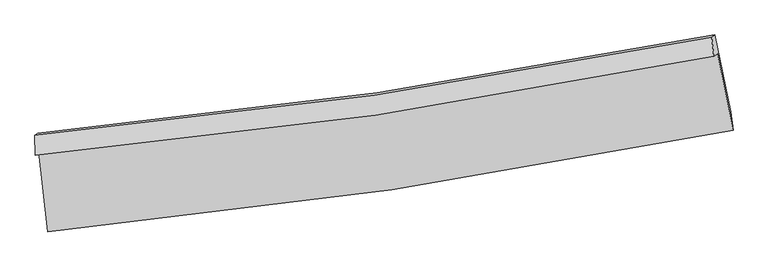
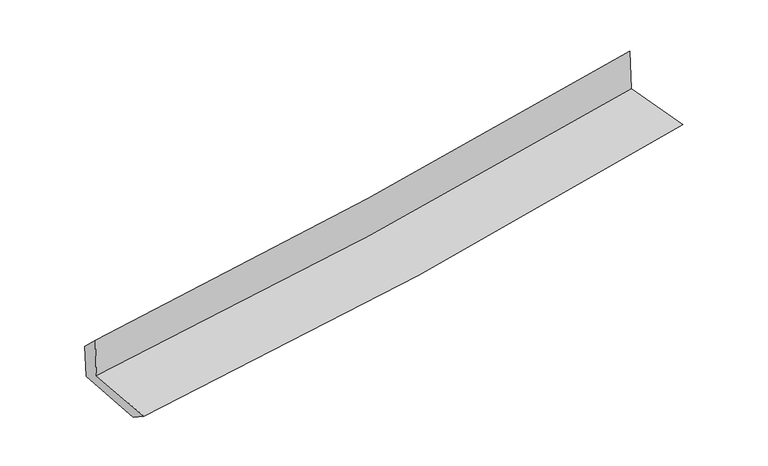
"""IFC4 building model written with IfcOpenShell, lengths in millimetres: proxy geometry."""

import ifcopenshell
import ifcopenshell.guid

model = None  # the IFC model being written
_history = None  # IfcOwnerHistory: only IFC2X3 demands one
_inside = {}  # id of a spatial element -> (the spatial element, [elements in it])
_under = {}  # id of a project, library or spatial element -> (it, [spatial elements below it])
_declared = {}  # id of a project -> (the project, [libraries it declares])
_typed = {}  # id of a type object -> (the type object, [elements of that type])
_made_of = {}  # id of a material, layer set ... -> (it, [elements and type objects made of it])


def new_model(schema):
    """Start an empty IFC model of exactly this schema.

    Asked for "IFC4X3", IfcOpenShell would pick the latest addendum, in which some entities
    have other attributes; the version numbers below select the first issue.
    IFC2X3 requires an IfcOwnerHistory on every rooted entity: one is made here for all.
    """
    global model, _history
    if schema == "IFC4X3":
        model = ifcopenshell.file(schema_version=(4, 3, 0, 0))
    else:
        model = ifcopenshell.file(schema=schema)
    _inside.clear()
    _under.clear()
    _declared.clear()
    _typed.clear()
    _made_of.clear()
    _history = None
    if model.schema == "IFC2X3":
        org = make("IfcOrganization", Name="unknown")
        user = make(
            "IfcPersonAndOrganization",
            ThePerson=make("IfcPerson", FamilyName="unknown"),
            TheOrganization=org,
        )
        app = make(
            "IfcApplication",
            ApplicationDeveloper=org,
            Version="unknown",
            ApplicationFullName="unknown",
            ApplicationIdentifier="unknown",
        )
        _history = make(
            "IfcOwnerHistory",
            OwningUser=user,
            OwningApplication=app,
            ChangeAction="ADDED",
            CreationDate=0,
        )
    return model


def make(cls, **values):
    """One entity of the class cls with the attributes given. An attribute that is None is left unset."""
    return model.create_entity(
        cls, **{name: value for name, value in values.items() if value is not None}
    )


def rooted(cls, **values):
    """An entity with a GlobalId (a new one), such as an element, a storey or a relation."""
    return make(cls, GlobalId=ifcopenshell.guid.new(), OwnerHistory=_history, **values)


def si_unit(unit_type, name, prefix=None):
    """IfcSIUnit, for example si_unit("LENGTHUNIT", "METRE", prefix="MILLI")."""
    return make("IfcSIUnit", UnitType=unit_type, Prefix=prefix, Name=name)


def assignment(units):
    """IfcUnitAssignment: the units of a project."""
    return None if units is None else make("IfcUnitAssignment", Units=units)


def point(xyz):
    """IfcCartesianPoint."""
    return None if xyz is None else make("IfcCartesianPoint", Coordinates=xyz)


def direction(xyz):
    """IfcDirection."""
    return None if xyz is None else make("IfcDirection", DirectionRatios=xyz)


def frame(location, z_axis=None, x_axis=None):
    """IfcAxis2Placement3D, a coordinate frame: its origin and axes. An axis left out is left unset."""
    return make(
        "IfcAxis2Placement3D",
        Location=point(location),
        Axis=direction(z_axis),
        RefDirection=direction(x_axis),
    )


def origin():
    """The frame at (0, 0, 0) with its axes left unset."""
    return frame((0.0, 0.0, 0.0))


def place(relative_to, where):
    """IfcLocalPlacement: puts the frame where relative to a parent placement (None: the world)."""
    return make(
        "IfcLocalPlacement", PlacementRelTo=relative_to, RelativePlacement=where
    )


def context(
    kind, dimensions, precision=None, world=None, true_north=None, identifier=None
):
    """IfcGeometricRepresentationContext, for example the 3D "Model" context."""
    return make(
        "IfcGeometricRepresentationContext",
        ContextIdentifier=identifier,
        ContextType=kind,
        CoordinateSpaceDimension=dimensions,
        Precision=precision,
        WorldCoordinateSystem=world,
        TrueNorth=true_north,
    )


def project(units=None, contexts=None):
    """IfcProject with its units and contexts."""
    return rooted(
        "IfcProject",
        Name="project",
        RepresentationContexts=contexts,
        UnitsInContext=assignment(units),
    )


def spatial(cls, under=None, at=None, **own):
    """A site, building, storey or space (cls), placed at a placement, below another one or the project."""
    s = rooted(cls, ObjectPlacement=at, **own)
    if under is not None:
        _under.setdefault(under.id(), (under, []))[1].append(s)
    return s


def shape(context_of_items, identifier, shape_type, items):
    """IfcShapeRepresentation: the items that make up one representation, for example the "Body"."""
    return make(
        "IfcShapeRepresentation",
        ContextOfItems=context_of_items,
        RepresentationIdentifier=identifier,
        RepresentationType=shape_type,
        Items=items,
    )


def source(mapping_origin, context_of_items, identifier, shape_type, items):
    """IfcRepresentationMap: a shape defined once, which mapped items show again and again."""
    return make(
        "IfcRepresentationMap",
        MappingOrigin=mapping_origin,
        MappedRepresentation=shape(context_of_items, identifier, shape_type, items),
    )


def transform(
    local_origin,
    x_axis=None,
    y_axis=None,
    z_axis=None,
    scale=None,
    scale2=None,
    scale3=None,
    uniform=True,
):
    """IfcCartesianTransformationOperator3D, or its non-uniform kind. x_axis, y_axis, z_axis: its Axis1, 2, 3."""
    if uniform:
        return make(
            "IfcCartesianTransformationOperator3D",
            Axis1=direction(x_axis),
            Axis2=direction(y_axis),
            LocalOrigin=point(local_origin),
            Scale=scale,
            Axis3=direction(z_axis),
        )
    return make(
        "IfcCartesianTransformationOperator3DnonUniform",
        Axis1=direction(x_axis),
        Axis2=direction(y_axis),
        LocalOrigin=point(local_origin),
        Scale=scale,
        Axis3=direction(z_axis),
        Scale2=scale2,
        Scale3=scale3,
    )


def mapped(mapping_source, mapping_target):
    """IfcMappedItem: shows the shape of a source again, moved by a transform."""
    return make(
        "IfcMappedItem", MappingSource=mapping_source, MappingTarget=mapping_target
    )


def made_of(thing, what):
    """Note that an element or type object is made of a material, layer set ...; save() writes the relation."""
    if what is not None:
        _made_of.setdefault(what.id(), (what, []))[1].append(thing)
    return thing


def element(
    cls,
    number,
    at=None,
    inside=None,
    cuts=None,
    type_object=None,
    material=None,
    context=None,
    identifier="Body",
    shape_type=None,
    held_by="IfcProductDefinitionShape",
    body=None,
    shapes=None,
    **own,
):
    """One element of the class cls, such as IfcWall. Its Tag is "e" and its number.

    at: its placement. inside: the storey or other place that contains it. cuts: it is an
    opening in that element (IfcRelVoidsElement). A single representation is given by context,
    identifier, shape_type and body (its items); several are given by shapes. held_by: the class
    of the entity that holds the representations. save() writes the other relations.
    """
    e = rooted(cls, Tag="e%d" % number, ObjectPlacement=at, **own)
    if body is not None:
        shapes = [shape(context, identifier, shape_type, body)]
    if shapes is not None:
        e.Representation = make(held_by, Representations=shapes)
    if inside is not None:
        _inside.setdefault(inside.id(), (inside, []))[1].append(e)
    if cuts is not None:
        rooted(
            "IfcRelVoidsElement", RelatingBuildingElement=cuts, RelatedOpeningElement=e
        )
    if type_object is not None:
        _typed.setdefault(type_object.id(), (type_object, []))[1].append(e)
    return made_of(e, material)


def aggregate(whole, parts):
    """IfcRelAggregates: a whole, such as a stair, and the parts it consists of."""
    return rooted("IfcRelAggregates", RelatingObject=whole, RelatedObjects=parts)


def save(model, path):
    """Write the relations noted so far, then the file.

    IfcRelAggregates (storeys below a building ...), IfcRelContainedInSpatialStructure (elements
    in a storey), IfcRelDefinesByType, IfcRelAssociatesMaterial and IfcRelDeclares: one each for
    every whole, place, type object, material and project.
    """
    for whole, parts in _under.values():
        aggregate(whole, parts)
    for where, things in _inside.values():
        rooted(
            "IfcRelContainedInSpatialStructure",
            RelatedElements=things,
            RelatingStructure=where,
        )
    for kind, things in _typed.values():
        rooted("IfcRelDefinesByType", RelatedObjects=things, RelatingType=kind)
    for what, things in _made_of.values():
        rooted("IfcRelAssociatesMaterial", RelatedObjects=things, RelatingMaterial=what)
    for by, libraries in _declared.values():
        rooted("IfcRelDeclares", RelatingContext=by, RelatedDefinitions=libraries)
    model.write(path)


def plane_surface(at):
    """IfcPlane: the flat surface through the origin of the frame at, square to its z axis."""
    return make("IfcPlane", Position=at)


def spline_curve(degree, points, multiplicities, knots, weights=None):
    """IfcBSplineCurveWithKnots; with weights, IfcRationalBSplineCurveWithKnots."""
    own = dict(
        Degree=degree,
        ControlPointsList=[point(p) for p in points],
        CurveForm="UNSPECIFIED",
        ClosedCurve=False,
        SelfIntersect=False,
        KnotMultiplicities=multiplicities,
        Knots=knots,
        KnotSpec="UNSPECIFIED",
    )
    if weights is None:
        return make("IfcBSplineCurveWithKnots", **own)
    return make("IfcRationalBSplineCurveWithKnots", WeightsData=weights, **own)


def spline_surface(u_degree, v_degree, points, u_multiplicities, v_multiplicities, u_knots, v_knots, weights=None):
    """IfcBSplineSurfaceWithKnots; with weights, IfcRationalBSplineSurfaceWithKnots. points: one row for each step in u."""
    own = dict(
        UDegree=u_degree,
        VDegree=v_degree,
        ControlPointsList=[[point(p) for p in row] for row in points],
        SurfaceForm="UNSPECIFIED",
        UClosed=False,
        VClosed=False,
        SelfIntersect=False,
        UMultiplicities=u_multiplicities,
        VMultiplicities=v_multiplicities,
        UKnots=u_knots,
        VKnots=v_knots,
        KnotSpec="UNSPECIFIED",
    )
    if weights is None:
        return make("IfcBSplineSurfaceWithKnots", **own)
    return make("IfcRationalBSplineSurfaceWithKnots", WeightsData=weights, **own)


def advanced_brep(points, edges, surfaces, faces):
    """IfcAdvancedBrep: a solid bounded by faces that lie on surfaces and meet in shared edges.

    An edge is (start, end): straight between two places in points (the first is 0);
    or (start, end, curve); or (start, end, curve, False) where it runs against its curve.
    A face is (place in surfaces, loops), or (place, loops, False) where it looks against
    its surface's normal. A loop lists edges by number (the first is 1), with a minus sign
    where the edge is run from its end to its start. The first loop is the outer one.
    """
    corners = [point(p) for p in points]
    vertices = [make("IfcVertexPoint", VertexGeometry=c) for c in corners]
    made = []
    for start, end, *more in edges:
        made.append(
            make(
                "IfcEdgeCurve",
                EdgeStart=vertices[start],
                EdgeEnd=vertices[end],
                EdgeGeometry=more[0] if more else make("IfcPolyline", Points=[corners[start], corners[end]]),
                SameSense=more[1] if len(more) > 1 else True,
            )
        )
    hull = []
    for where, loops, *sense in faces:
        bounds = []
        for j, loop in enumerate(loops):
            ring = [make("IfcOrientedEdge", EdgeElement=made[abs(k) - 1], Orientation=k > 0) for k in loop]
            bounds.append(
                make(
                    "IfcFaceOuterBound" if j == 0 else "IfcFaceBound",
                    Bound=make("IfcEdgeLoop", EdgeList=ring),
                    Orientation=True,
                )
            )
        hull.append(make("IfcAdvancedFace", Bounds=bounds, FaceSurface=surfaces[where], SameSense=sense[0] if sense else True))
    return make("IfcAdvancedBrep", Outer=make("IfcClosedShell", CfsFaces=hull))


def generic_models_094a1ef5(model_context):
    return source(origin(), model_context, "Body", "AdvancedBrep", [
        advanced_brep(
        [(-2893.4625867, -1891.1456674, 1664.9055332), (-2817.1366866, -2567.6234913, 1625.347256), (2970.1460063, -1711.5847201, 2110.8474358), (2839.9499141, -1064.3539704, 2137.4030403), (-2922.8733799, -1924.2006544, 2059.6882633), (2807.4998351, -1088.0773859, 2556.5104464), (-2927.5775884, -1754.5228958, 1896.7493031), (2789.971366, -924.9251286, 2390.6339189), (-2901.8599538, -1735.7213968, 1564.5944541), (2816.2446463, -905.7174112, 2051.3026542), (-2826.132688, -2398.9899967, 1515.1337729), (2948.4583425, -1555.2586367, 2007.1273913)],
        [
            (0, 1),
            (1, 2, spline_curve(3, [(-2817.1366866, -2567.6234913, 1625.347256), (-1845.920529921, -2472.926735046, 1698.64914462), (-878.61330146, -2354.356154476, 1775.705342175), (1050.49974958, -2069.124842769, 1937.520659273), (2012.286752296, -1902.349166185, 2022.29785524), (2970.1460063, -1711.5847201, 2110.8474358)], [4, 2, 4], [0.0, 9.573929946193964, 19.170880002552373])),
            (2, 3),
            (3, 0, spline_curve(3, [(2839.9499141, -1064.3539704, 2137.4030403), (1889.877464783, -1250.032493609, 2060.281928214), (936.479159561, -1411.82514921, 1982.298264623), (-974.674276881, -1687.307929128, 1824.794962821), (-1932.413472267, -1801.112506139, 1745.279457288), (-2893.4625867, -1891.1456674, 1664.9055332)], [4, 2, 4], [0.0, 9.59695005635841, 19.170880002552373])),
            (4, 0),
            (3, 5),
            (5, 4, spline_curve(3, [(2807.4998351, -1088.0773859, 2556.5104464), (1858.056742866, -1279.541908686, 2483.257717489), (905.226620906, -1445.003589757, 2405.173995567), (-1004.914013385, -1723.58674989, 2239.543453147), (-1962.208296416, -1836.832825025, 2152.019780317), (-2922.8733799, -1924.2006544, 2059.6882633)], [4, 2, 4], [0.0, 9.549620051529066, 19.076333522913])),
            (6, 4),
            (5, 7),
            (7, 6, spline_curve(3, [(2789.971366, -924.9251286, 2390.6339189), (1842.878753404, -1113.008130532, 2310.403244786), (892.293716527, -1276.235983047, 2229.080125181), (-1013.572669259, -1552.649475505, 2064.446685627), (-1968.837283995, -1665.954212296, 1981.141599649), (-2927.5775884, -1754.5228958, 1896.7493031)], [4, 2, 4], [0.0, 9.538744161388388, 19.05460783052287])),
            (8, 6),
            (7, 9),
            (9, 8, spline_curve(3, [(2816.2446463, -905.7174112, 2051.3026542), (1869.489423832, -1093.553755893, 1966.714433986), (919.026464366, -1256.69236096, 1883.814629209), (-987.026168256, -1533.242013493, 1721.586652954), (-1942.598075588, -1646.771404029, 1642.250390665), (-2901.8599538, -1735.7213968, 1564.5944541)], [4, 2, 4], [0.0, 9.527147249133964, 19.031441823413935])),
            (10, 8),
            (9, 11),
            (11, 10, spline_curve(3, [(2948.4583425, -1555.2586367, 2007.1273913), (1991.695234586, -1740.86898834, 1922.000286342), (1031.515827186, -1904.042629919, 1838.389853077), (-893.364218996, -2185.178908381, 1674.399247825), (-1858.048488407, -2303.249053604, 1594.011808105), (-2826.132688, -2398.9899967, 1515.1337729)], [4, 2, 4], [0.0, 9.574515989116295, 19.12606568044565])),
            (1, 10),
            (11, 2),
        ],
        [
            spline_surface(3, 3, [[(-2893.4625867, -1891.1456674, 1664.9055332), (-1932.413472148, -1801.112506082, 1745.279457135), (-974.674276917, -1687.307929256, 1824.794962684), (936.479159597, -1411.825149082, 1982.29826476), (1889.877464656, -1250.032493579, 2060.281928207), (2839.9499141, -1064.3539704, 2137.4030403)], [(-2868.02062, -2116.638275362, 1651.719440811), (-1903.582491441, -2025.050582438, 1729.736019663), (-942.653951781, -1909.657337662, 1808.431755798), (974.486022979, -1630.925046939, 1967.372396321), (1930.680560508, -1467.471384482, 2047.620570588), (2883.348611495, -1280.097553649, 2128.551172131)], [(-2842.5786533, -2342.130883338, 1638.533348389), (-1874.751510733, -2248.988658806, 1714.192582158), (-910.633626703, -2132.006746126, 1792.068548903), (1012.492886304, -1850.024944855, 1952.446527871), (1971.483656377, -1684.910275338, 2034.959212975), (2926.747308905, -1495.841136851, 2119.699303969)], [(-2817.1366866, -2567.6234913, 1625.347256), (-1845.920530026, -2472.926735161, 1698.649144687), (-878.613301567, -2354.356154532, 1775.705342017), (1050.499749687, -2069.124842713, 1937.520659431), (2012.286752229, -1902.34916624, 2022.297855356), (2970.1460063, -1711.5847201, 2110.8474358)]], [4, 4], [4, 2, 4], [0.0, 2.205005660149905], [0.0, 9.573929946193964, 19.170880002552373]),
            spline_surface(3, 3, [[(-2922.8733799, -1924.2006544, 2059.6882633), (-1962.208296533, -1836.832825034, 2152.01978046), (-1004.914013417, -1723.586749961, 2239.543453019), (905.226620939, -1445.003589686, 2405.173995695), (1858.056742875, -1279.54190863, 2483.257717514), (2807.4998351, -1088.0773859, 2556.5104464)], [(-2913.069782178, -1913.182325384, 1928.094019914), (-1952.276688415, -1824.926052034, 2016.439672666), (-994.834101269, -1711.493809737, 2101.293956226), (915.644133806, -1433.944109495, 2264.215418703), (1868.663650138, -1269.705436947, 2342.265787749), (2818.316528103, -1080.169580734, 2416.807977704)], [(-2903.266184422, -1902.163996416, 1796.499776586), (-1942.345080265, -1813.019279082, 1880.859564929), (-984.754189065, -1699.40086948, 1963.044459477), (926.06164673, -1422.884629272, 2123.256841753), (1879.270557393, -1259.868965262, 2201.273857972), (2829.133221097, -1072.261775566, 2277.105508996)], [(-2893.4625867, -1891.1456674, 1664.9055332), (-1932.413472148, -1801.112506082, 1745.279457135), (-974.674276917, -1687.307929256, 1824.794962684), (936.479159597, -1411.825149082, 1982.29826476), (1889.877464656, -1250.032493579, 2060.281928207), (2839.9499141, -1064.3539704, 2137.4030403)]], [4, 4], [4, 2, 4], [0.0, 1.3824875488305457], [0.0, 9.526713471383934, 19.076333522913]),
            spline_surface(3, 3, [[(-2927.5775884, -1754.5228958, 1896.7493031), (-1968.837283974, -1665.954212147, 1981.141599612), (-1013.572669293, -1552.649475516, 2064.446685478), (892.29371656, -1276.235983036, 2229.080125331), (1842.878753359, -1113.008130623, 2310.403244738), (2789.971366, -924.9251286, 2390.6339189)], [(-2926.009518898, -1811.082148677, 1951.062289849), (-1966.627621491, -1722.913749786, 2038.100993244), (-1010.68645065, -1609.628566995, 2122.812274677), (896.604684705, -1332.491851917, 2287.778082138), (1847.93808318, -1168.519389961, 2368.021402344), (2795.814189016, -979.309214369, 2445.926094747)], [(-2924.441449402, -1867.641401523, 2005.375276551), (-1964.417959015, -1779.873287394, 2095.060386828), (-1007.80023206, -1666.607658482, 2181.177863819), (900.915652795, -1388.747720805, 2346.476038888), (1852.997413054, -1224.030649292, 2425.639559908), (2801.657012084, -1033.693300131, 2501.218270553)], [(-2922.8733799, -1924.2006544, 2059.6882633), (-1962.208296533, -1836.832825034, 2152.01978046), (-1004.914013417, -1723.586749961, 2239.543453019), (905.226620939, -1445.003589686, 2405.173995695), (1858.056742875, -1279.54190863, 2483.257717514), (2807.4998351, -1088.0773859, 2556.5104464)]], [4, 4], [4, 2, 4], [0.0, 0.802296211245253], [0.0, 9.51586366913448, 19.05460783052287]),
            spline_surface(3, 3, [[(-2901.8599538, -1735.7213968, 1564.5944541), (-1942.598075649, -1646.771404055, 1642.250390725), (-987.026168348, -1533.242013636, 1721.586652848), (919.026464458, -1256.692360816, 1883.814629315), (1869.489423827, -1093.553755976, 1966.714433842), (2816.2446463, -905.7174112, 2051.3026542)], [(-2910.432498639, -1741.988563146, 1675.312737104), (-1951.344478397, -1653.165673432, 1755.214127025), (-995.875001992, -1539.711167599, 1835.873330374), (910.115548497, -1263.206901559, 1998.90312797), (1860.619200345, -1100.038547498, 2081.277370783), (2807.486886207, -912.11998364, 2164.413075742)], [(-2919.005043561, -1748.255729454, 1786.031020096), (-1960.090881226, -1659.55994277, 1868.177863313), (-1004.723835649, -1546.180321553, 1950.160007952), (901.204632522, -1269.721442293, 2113.991626676), (1851.748976842, -1106.523339101, 2195.840307797), (2798.729126093, -918.52255616, 2277.523497358)], [(-2927.5775884, -1754.5228958, 1896.7493031), (-1968.837283974, -1665.954212147, 1981.141599612), (-1013.572669293, -1552.649475516, 2064.446685478), (892.29371656, -1276.235983036, 2229.080125331), (1842.878753359, -1113.008130623, 2310.403244738), (2789.971366, -924.9251286, 2390.6339189)]], [4, 4], [4, 2, 4], [0.0, 1.134004404033806], [0.0, 9.504294574279971, 19.031441823413935]),
            spline_surface(3, 3, [[(-2826.132688, -2398.9899967, 1515.1337729), (-1858.048488559, -2303.249053467, 1594.011808082), (-893.364219142, -2185.178908316, 1674.399247713), (1031.515827333, -1904.042629985, 1838.38985319), (1991.695234731, -1740.868988477, 1922.000286355), (2948.4583425, -1555.2586367, 2007.1273913)], [(-2851.375109934, -2177.90046339, 1531.620666612), (-1886.231684256, -2084.423170319, 1610.091335609), (-924.584868887, -1967.86661008, 1690.128382774), (994.019373032, -1688.259206919, 1853.531445248), (1950.959964435, -1525.097244334, 1936.905002187), (2904.387110438, -1338.74489489, 2021.852478936)], [(-2876.617531866, -1956.81093011, 1548.107560388), (-1914.414879952, -1865.597287202, 1626.170863198), (-955.805518603, -1750.554311872, 1705.857517787), (956.522918759, -1472.475783882, 1868.673037257), (1910.224694124, -1309.32550012, 1951.80971801), (2860.315878362, -1122.23115301, 2036.577566564)], [(-2901.8599538, -1735.7213968, 1564.5944541), (-1942.598075649, -1646.771404055, 1642.250390725), (-987.026168348, -1533.242013636, 1721.586652848), (919.026464458, -1256.692360816, 1883.814629315), (1869.489423827, -1093.553755976, 1966.714433842), (2816.2446463, -905.7174112, 2051.3026542)]], [4, 4], [4, 2, 4], [0.0, 2.1633723698245593], [0.0, 9.551549691329354, 19.12606568044565]),
            spline_surface(3, 3, [[(-2817.1366866, -2567.6234913, 1625.347256), (-1845.920530026, -2472.926735161, 1698.649144687), (-878.613301567, -2354.356154532, 1775.705342017), (1050.499749687, -2069.124842713, 1937.520659431), (2012.286752229, -1902.34916624, 2022.297855356), (2970.1460063, -1711.5847201, 2110.8474358)], [(-2820.135353751, -2511.41232644, 1588.609428309), (-1849.963182888, -2416.367507936, 1663.770032494), (-883.530274105, -2297.963739144, 1741.936643908), (1044.171775555, -2014.097438487, 1904.477057343), (2005.422913072, -1848.522440304, 1988.865332361), (2962.916785042, -1659.476025618, 2076.274087639)], [(-2823.134020849, -2455.20116156, 1551.871600591), (-1854.005835697, -2359.808280691, 1628.890920274), (-888.447246603, -2241.571323704, 1708.167945822), (1037.843801464, -1959.07003421, 1871.433455278), (1998.559073889, -1794.695714413, 1955.43280935), (2955.687563758, -1607.367331182, 2041.700739461)], [(-2826.132688, -2398.9899967, 1515.1337729), (-1858.048488559, -2303.249053467, 1594.011808082), (-893.364219142, -2185.178908316, 1674.399247713), (1031.515827333, -1904.042629985, 1838.38985319), (1991.695234731, -1740.868988477, 1922.000286355), (2948.4583425, -1555.2586367, 2007.1273913)]], [4, 4], [4, 2, 4], [0.0, 0.6417258934145631], [0.0, 9.610334633296626, 19.243776910290148]),
            plane_surface(frame((2862.0450184, -1208.3195421, 2208.9708145), z_axis=(0.9773594440628677, 0.1930511365449012, 0.08660124583309527), x_axis=(-0.07707295749640913, -0.05634605061694821, 0.9954320076241416))),
            plane_surface(frame((-2881.5071472, -2045.3673504, 1721.0697638), z_axis=(-0.9908130835020892, -0.10695175397703134, -0.08276929311235409), x_axis=(-0.1119281964394158, 0.9920216159884425, 0.05801027713689026))),
        ],
        [
            (0, [[1, 2, 3, 4]]),
            (1, [[5, -4, 6, 7]]),
            (2, [[8, -7, 9, 10]]),
            (3, [[11, -10, 12, 13]]),
            (4, [[14, -13, 15, 16]]),
            (5, [[17, -16, 18, -2]]),
            (6, [[-12, -9, -6, -3, -18, -15]]),
            (7, [[-1, -5, -8, -11, -14, -17]]),
        ],
    ),
    ])


if __name__ == "__main__":
    model = new_model("IFC4")
    model_context = context("Model", 3, world=origin())
    ifc_project = project(units=[si_unit("LENGTHUNIT", "METRE", prefix="MILLI")], contexts=[model_context])
    site = spatial("IfcSite", under=ifc_project)
    building = spatial("IfcBuilding", under=site)
    placement = place(None, origin())
    generic_models_shape = generic_models_094a1ef5(model_context)
    element("IfcBuildingElementProxy", 1, Name="Generic Models", at=placement, inside=building, context=model_context, shape_type="MappedRepresentation", body=[
        mapped(generic_models_shape, transform((0.0, 0.0, 0.0), x_axis=(1.0, 0.0, 0.0), y_axis=(0.0, 1.0, 0.0), z_axis=(0.0, 0.0, 1.0))),
    ])
    save(model, "model.ifc")
